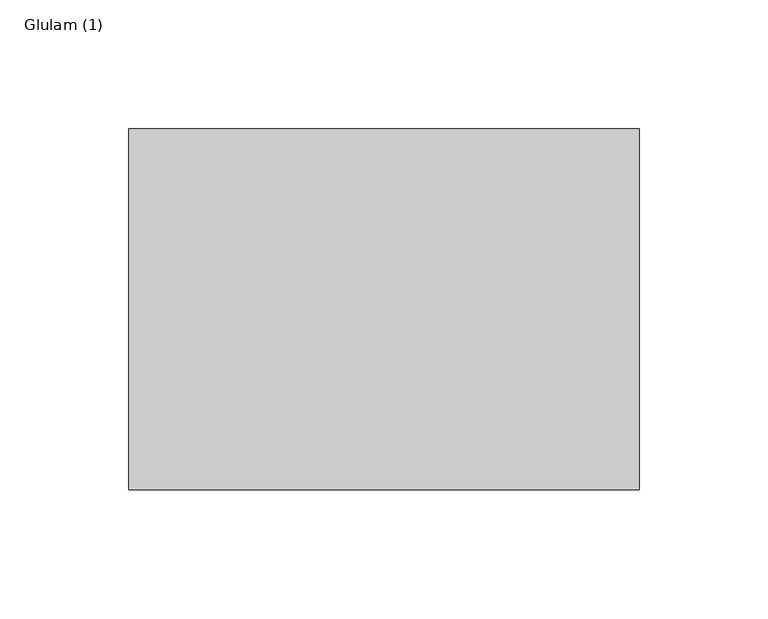
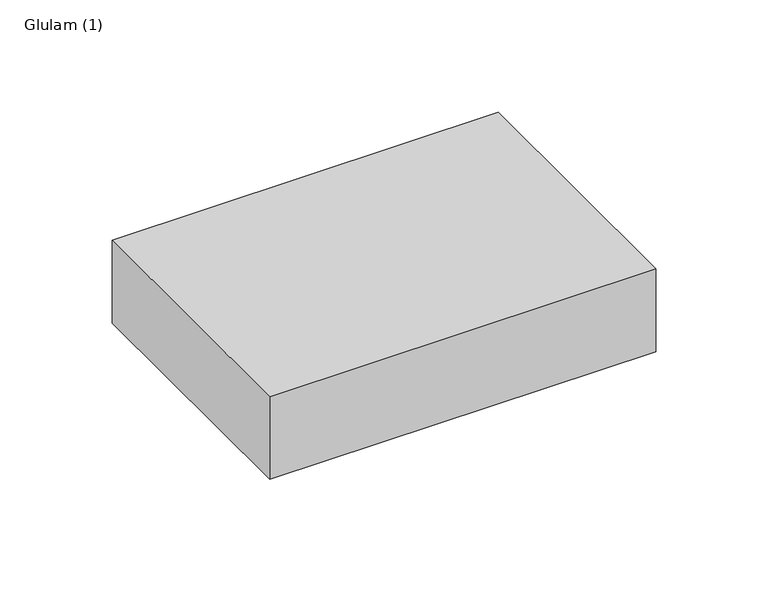
"""IFC4 building model written with IfcOpenShell, lengths in millimetres: beam geometry, Glulam (1)."""

from ifc_helpers import new_model, si_unit, frame, origin, place, context, project, spatial, polyline, outline, extrude, source, transform, mapped, element, save


def glulam_1_bdb209f5(model_context):
    return source(origin(), model_context, "Body", "SweptSolid", [
        extrude(outline(polyline([(96.0, 70.0), (96.0, -70.0), (-102.0, -70.0), (-102.0, 70.0), (96.0, 70.0)])), frame((0.0, 0.0, -22.5), z_axis=(0.0, 0.0, 1.0), x_axis=(1.0, 0.0, 0.0)), (0.0, 0.0, 1.0), 45.0),
    ])


if __name__ == "__main__":
    model = new_model("IFC4")
    model_context = context("Model", 3, world=origin())
    ifc_project = project(units=[si_unit("LENGTHUNIT", "METRE", prefix="MILLI")], contexts=[model_context])
    site = spatial("IfcSite", under=ifc_project)
    building = spatial("IfcBuilding", under=site)
    placement = place(None, origin())
    glulam_1_shape = glulam_1_bdb209f5(model_context)
    element("IfcBeam", 1, ObjectType="Glulam (1)", at=placement, inside=building, context=model_context, shape_type="MappedRepresentation", body=[
        mapped(glulam_1_shape, transform((0.0, 0.0, 0.0), x_axis=(1.0, 0.0, 0.0), y_axis=(0.0, 1.0, 0.0), z_axis=(0.0, 0.0, 1.0))),
    ])
    save(model, "model.ifc")
